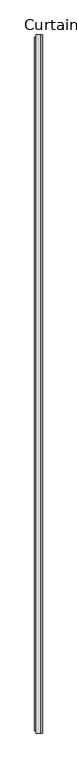
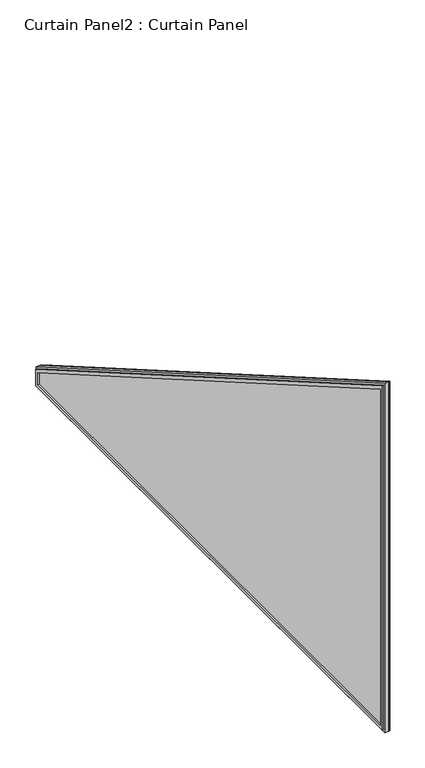
"""IFC4 building model written with IfcOpenShell, lengths in millimetres: plate geometry, Curtain Panel2 : Curtain Panel."""

from ifc_helpers import new_model, si_unit, frame, origin, place, context, project, spatial, polyline, outline, extrude, source, transform, mapped, element, save


def curtain_panel2_curtain_panel_1463aea5(model_context):
    return source(origin(), model_context, "Body", "SweptSolid", [
        extrude(outline(polyline([(-18190.0373282, -81.7271851), (-18190.0373282, -141.8730473), (-20235.313157, -141.8730473), (-20235.313157, 1099.1133652), (-18190.0373282, -81.7271851)]), holes=[polyline([(-18201.1625282, -130.7478473), (-18201.1625282, -88.1503223), (-20224.187957, 1079.8439536), (-20224.187957, -130.7478473), (-18201.1625282, -130.7478473)])]), frame((16899.2598685, 0.0, 0.0), z_axis=(1.0, 0.0, 0.0), x_axis=(0.0, 1.0, 0.0)), (0.0, 0.0, 1.0), 4.6736),
        extrude(outline(polyline([(-18183.742277, -78.0927356), (-18183.742277, -148.1680986), (-20241.6082083, -148.1680986), (-20241.6082083, 1110.0167138), (-18183.742277, -78.0927356)]), holes=[polyline([(-18201.1625282, -130.7478473), (-18201.1625282, -88.1503223), (-20224.187957, 1079.8439536), (-20224.187957, -130.7478473), (-18201.1625282, -130.7478473)])]), frame((16917.5478685, 0.0, 0.0), z_axis=(1.0, 0.0, 0.0), x_axis=(0.0, 1.0, 0.0)), (0.0, 0.0, 1.0), 4.191),
        extrude(outline(polyline([(-20241.6082083, -148.1680986), (-20241.6082083, 1110.0167138), (-18183.742277, -78.0927356), (-18183.742277, -148.1680986), (-20241.6082083, -148.1680986)])), frame((16903.9334685, 0.0, 0.0), z_axis=(1.0, 0.0, 0.0), x_axis=(0.0, 1.0, 0.0)), (0.0, 0.0, 1.0), 13.6144),
    ])


if __name__ == "__main__":
    model = new_model("IFC4")
    model_context = context("Model", 3, world=origin())
    ifc_project = project(units=[si_unit("LENGTHUNIT", "METRE", prefix="MILLI")], contexts=[model_context])
    site = spatial("IfcSite", under=ifc_project)
    building = spatial("IfcBuilding", under=site)
    placement = place(None, origin())
    curtain_panel2_curtain_panel_shape = curtain_panel2_curtain_panel_1463aea5(model_context)
    element("IfcPlate", 1, ObjectType="Curtain Panel2 : Curtain Panel", at=placement, inside=building, context=model_context, shape_type="MappedRepresentation", body=[
        mapped(curtain_panel2_curtain_panel_shape, transform((0.0, 0.0, 0.0), x_axis=(1.0, 0.0, 0.0), y_axis=(0.0, 1.0, 0.0), z_axis=(0.0, 0.0, 1.0))),
    ])
    save(model, "model.ifc")
